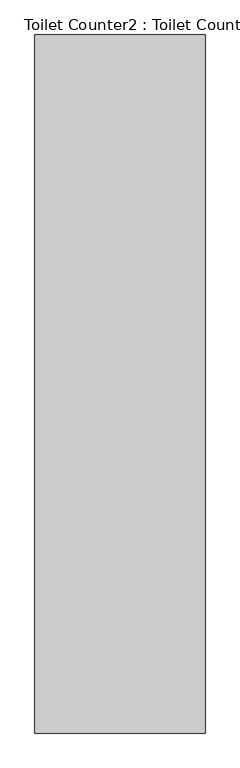
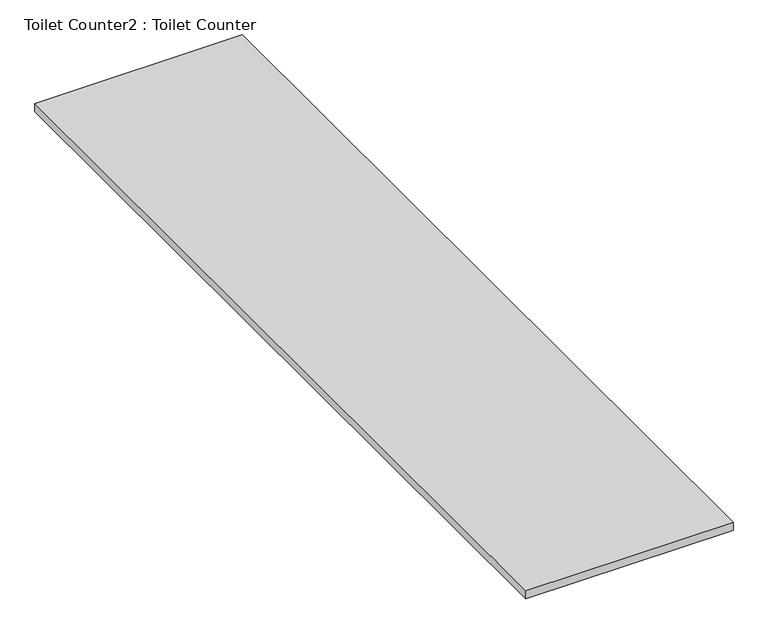
"""IFC4 building model written with IfcOpenShell, lengths in millimetres: furniture geometry, Toilet Counter2 : Toilet Counter."""

from ifc_helpers import new_model, si_unit, frame, origin, place, context, project, spatial, polyline, outline, extrude, source, transform, mapped, element, save


def toilet_counter2_toilet_counter_298aaf0c(model_context):
    return source(origin(), model_context, "Body", "SweptSolid", [
        extrude(outline(polyline([(8573.803833, 3906.5809329), (8573.803833, 1404.6809329), (7964.203833, 1404.6809329), (7964.203833, 3906.5809329), (8573.803833, 3906.5809329)])), frame((0.0, 0.0, 4333.875), z_axis=(0.0, 0.0, 1.0), x_axis=(1.0, 0.0, 0.0)), (0.0, 0.0, 1.0), 25.4),
    ])


if __name__ == "__main__":
    model = new_model("IFC4")
    model_context = context("Model", 3, world=origin())
    ifc_project = project(units=[si_unit("LENGTHUNIT", "METRE", prefix="MILLI")], contexts=[model_context])
    site = spatial("IfcSite", under=ifc_project)
    building = spatial("IfcBuilding", under=site)
    placement = place(None, origin())
    toilet_counter2_toilet_counter_shape = toilet_counter2_toilet_counter_298aaf0c(model_context)
    element("IfcFurniture", 1, ObjectType="Toilet Counter2 : Toilet Counter", at=placement, inside=building, context=model_context, shape_type="MappedRepresentation", body=[
        mapped(toilet_counter2_toilet_counter_shape, transform((0.0, 0.0, 0.0), x_axis=(1.0, 0.0, 0.0), y_axis=(0.0, 1.0, 0.0), z_axis=(0.0, 0.0, 1.0))),
    ])
    save(model, "model.ifc")
